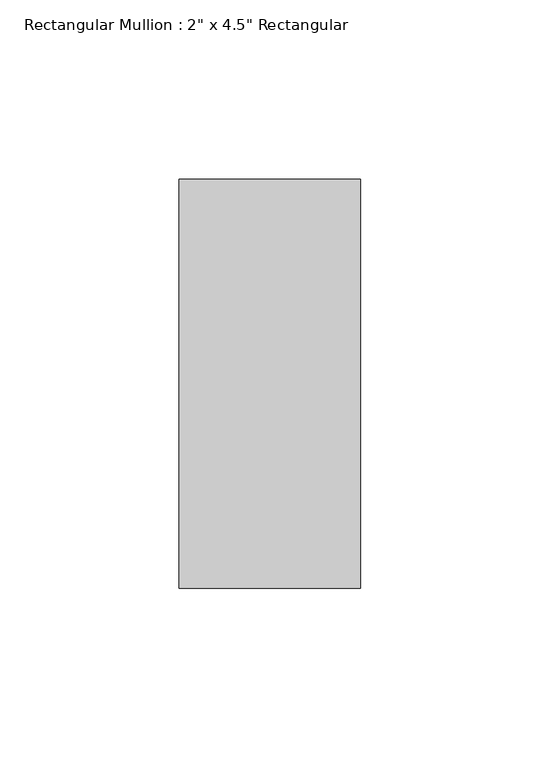
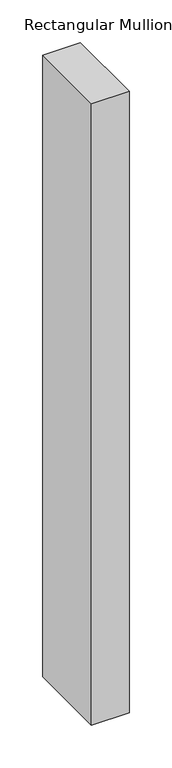
"""IFC4 building model written with IfcOpenShell, lengths in millimetres: member geometry."""

from ifc_helpers import new_model, si_unit, frame, origin, place, context, project, spatial, polyline, outline, extrude, source, transform, mapped, element, save


def member_d9337dfb(model_context):
    return source(origin(), model_context, "Body", "SweptSolid", [
        extrude(outline(polyline([(25.4, 57.15), (25.4, -57.15), (-25.4, -57.15), (-25.4, 57.15), (25.4, 57.15)])), frame((0.0, 0.0, -889.0), z_axis=(0.0, 0.0, 1.0), x_axis=(1.0, 0.0, 0.0)), (0.0, 0.0, 1.0), 889.0),
    ])


if __name__ == "__main__":
    model = new_model("IFC4")
    model_context = context("Model", 3, world=origin())
    ifc_project = project(units=[si_unit("LENGTHUNIT", "METRE", prefix="MILLI")], contexts=[model_context])
    site = spatial("IfcSite", under=ifc_project)
    building = spatial("IfcBuilding", under=site)
    placement = place(None, origin())
    member_shape = member_d9337dfb(model_context)
    element("IfcMember", 1, ObjectType="Rectangular Mullion : 2\" x 4.5\" Rectangular", at=placement, inside=building, context=model_context, shape_type="MappedRepresentation", body=[
        mapped(member_shape, transform((0.0, 0.0, 0.0), x_axis=(1.0, 0.0, 0.0), y_axis=(0.0, 1.0, 0.0), z_axis=(0.0, 0.0, 1.0))),
    ])
    save(model, "model.ifc")
